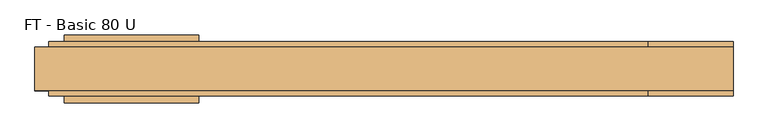
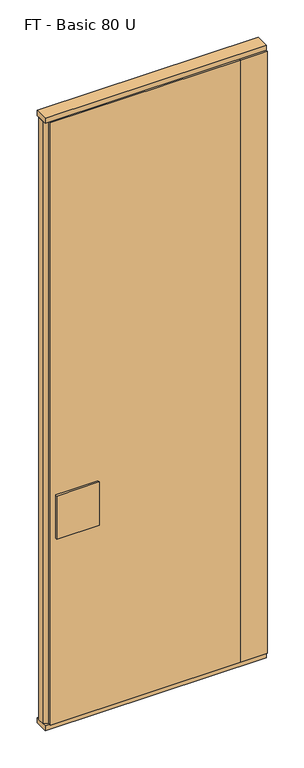
"""IFC4 building model written with IfcOpenShell, lengths in millimetres: door geometry, FT - Basic 80 U."""

from ifc_helpers import new_model, si_unit, frame, origin, origin_with_axes, place, context, project, spatial, polyline, outline, extrude, source, transform, mapped, element, save


def ft_basic_80_u_223a8489(model_context):
    return source(origin(), model_context, "Body", "SweptSolid", [
        extrude(outline(polyline([(387.5, 40.0), (387.5, 23.0), (407.5, 17.6410162), (407.5, -17.6410162), (387.5, -23.0), (387.5, -40.0), (-492.5, -40.0), (-492.5, -23.0), (-512.5, -17.6410162), (-512.5, 17.6410162), (-492.5, 23.0), (-492.5, 40.0), (387.5, 40.0)])), frame((0.0, 0.0, 25.0), z_axis=(0.0, 0.0, 1.0), x_axis=(1.0, 0.0, 0.0)), (0.0, 0.0, 1.0), 2950.0),
        extrude(outline(polyline([(-272.2719698, -50.0), (-469.2719698, -50.0), (-469.2719698, -40.0), (-272.2719698, -40.0), (-272.2719698, -50.0)])), frame((0.0, 0.0, 934.0), z_axis=(0.0, 0.0, 1.0), x_axis=(1.0, 0.0, 0.0)), (0.0, 0.0, 1.0), 212.0),
        extrude(outline(polyline([(-272.2719698, 40.0), (-469.2719698, 40.0), (-469.2719698, 50.0), (-272.2719698, 50.0), (-272.2719698, 40.0)])), frame((0.0, 0.0, 934.0), z_axis=(0.0, 0.0, 1.0), x_axis=(1.0, 0.0, 0.0)), (0.0, 0.0, 1.0), 212.0),
        extrude(outline(polyline([(387.5, -40.0), (387.5, -23.0), (407.5, -17.6410162), (407.5, 17.6410162), (387.5, 23.0), (387.5, 40.0), (512.5, 40.0), (512.5, -40.0), (387.5, -40.0)])), frame((0.0, 0.0, 25.0), z_axis=(0.0, 0.0, 1.0), x_axis=(1.0, 0.0, 0.0)), (0.0, 0.0, 1.0), 2950.0),
        extrude(outline(polyline([(512.5, 32.0), (512.5, -32.0), (-512.5, -32.0), (-512.5, 32.0), (512.5, 32.0)])), origin_with_axes(), (0.0, 0.0, 1.0), 25.0),
        extrude(outline(polyline([(512.5, 32.0), (512.5, -32.0), (-512.5, -32.0), (-512.5, 32.0), (512.5, 32.0)])), frame((0.0, 0.0, 2975.0), z_axis=(0.0, 0.0, 1.0), x_axis=(1.0, 0.0, 0.0)), (0.0, 0.0, 1.0), 25.0),
    ])


if __name__ == "__main__":
    model = new_model("IFC4")
    model_context = context("Model", 3, world=origin())
    ifc_project = project(units=[si_unit("LENGTHUNIT", "METRE", prefix="MILLI")], contexts=[model_context])
    site = spatial("IfcSite", under=ifc_project)
    building = spatial("IfcBuilding", under=site)
    placement = place(None, origin())
    ft_basic_80_u_shape = ft_basic_80_u_223a8489(model_context)
    element("IfcDoor", 1, ObjectType="FT - Basic 80 U", at=placement, inside=building, context=model_context, shape_type="MappedRepresentation", body=[
        mapped(ft_basic_80_u_shape, transform((0.0, 0.0, 0.0), x_axis=(1.0, 0.0, 0.0), y_axis=(0.0, 1.0, 0.0), z_axis=(0.0, 0.0, 1.0))),
    ])
    save(model, "model.ifc")
